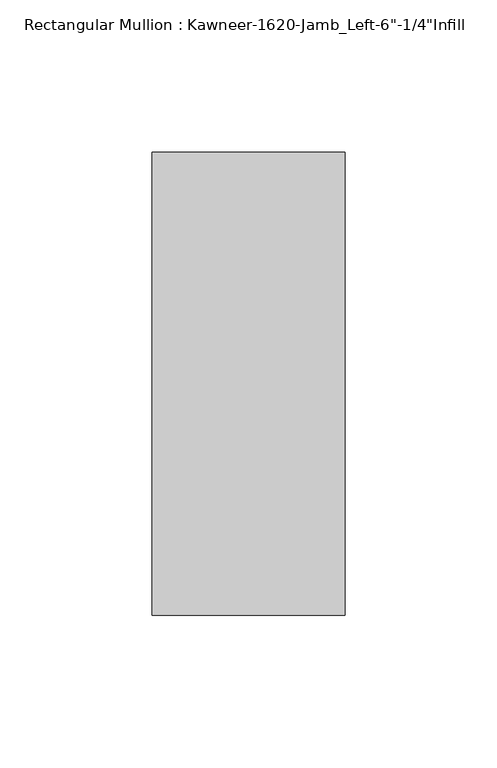
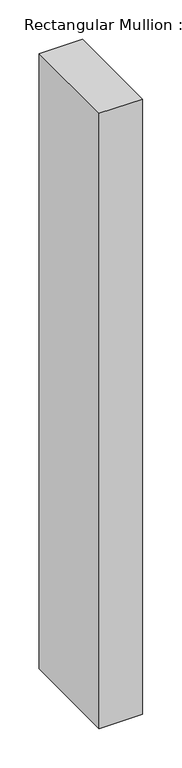
"""IFC4 building model written with IfcOpenShell, lengths in millimetres: member geometry."""

import ifcopenshell
import ifcopenshell.guid

model = None  # the IFC model being written
_history = None  # IfcOwnerHistory: only IFC2X3 demands one
_inside = {}  # id of a spatial element -> (the spatial element, [elements in it])
_under = {}  # id of a project, library or spatial element -> (it, [spatial elements below it])
_declared = {}  # id of a project -> (the project, [libraries it declares])
_typed = {}  # id of a type object -> (the type object, [elements of that type])
_made_of = {}  # id of a material, layer set ... -> (it, [elements and type objects made of it])


def new_model(schema):
    """Start an empty IFC model of exactly this schema.

    Asked for "IFC4X3", IfcOpenShell would pick the latest addendum, in which some entities
    have other attributes; the version numbers below select the first issue.
    IFC2X3 requires an IfcOwnerHistory on every rooted entity: one is made here for all.
    """
    global model, _history
    if schema == "IFC4X3":
        model = ifcopenshell.file(schema_version=(4, 3, 0, 0))
    else:
        model = ifcopenshell.file(schema=schema)
    _inside.clear()
    _under.clear()
    _declared.clear()
    _typed.clear()
    _made_of.clear()
    _history = None
    if model.schema == "IFC2X3":
        org = make("IfcOrganization", Name="unknown")
        user = make(
            "IfcPersonAndOrganization",
            ThePerson=make("IfcPerson", FamilyName="unknown"),
            TheOrganization=org,
        )
        app = make(
            "IfcApplication",
            ApplicationDeveloper=org,
            Version="unknown",
            ApplicationFullName="unknown",
            ApplicationIdentifier="unknown",
        )
        _history = make(
            "IfcOwnerHistory",
            OwningUser=user,
            OwningApplication=app,
            ChangeAction="ADDED",
            CreationDate=0,
        )
    return model


def make(cls, **values):
    """One entity of the class cls with the attributes given. An attribute that is None is left unset."""
    return model.create_entity(
        cls, **{name: value for name, value in values.items() if value is not None}
    )


def rooted(cls, **values):
    """An entity with a GlobalId (a new one), such as an element, a storey or a relation."""
    return make(cls, GlobalId=ifcopenshell.guid.new(), OwnerHistory=_history, **values)


def si_unit(unit_type, name, prefix=None):
    """IfcSIUnit, for example si_unit("LENGTHUNIT", "METRE", prefix="MILLI")."""
    return make("IfcSIUnit", UnitType=unit_type, Prefix=prefix, Name=name)


def assignment(units):
    """IfcUnitAssignment: the units of a project."""
    return None if units is None else make("IfcUnitAssignment", Units=units)


def point(xyz):
    """IfcCartesianPoint."""
    return None if xyz is None else make("IfcCartesianPoint", Coordinates=xyz)


def direction(xyz):
    """IfcDirection."""
    return None if xyz is None else make("IfcDirection", DirectionRatios=xyz)


def frame(location, z_axis=None, x_axis=None):
    """IfcAxis2Placement3D, a coordinate frame: its origin and axes. An axis left out is left unset."""
    return make(
        "IfcAxis2Placement3D",
        Location=point(location),
        Axis=direction(z_axis),
        RefDirection=direction(x_axis),
    )


def origin():
    """The frame at (0, 0, 0) with its axes left unset."""
    return frame((0.0, 0.0, 0.0))


def place(relative_to, where):
    """IfcLocalPlacement: puts the frame where relative to a parent placement (None: the world)."""
    return make(
        "IfcLocalPlacement", PlacementRelTo=relative_to, RelativePlacement=where
    )


def context(
    kind, dimensions, precision=None, world=None, true_north=None, identifier=None
):
    """IfcGeometricRepresentationContext, for example the 3D "Model" context."""
    return make(
        "IfcGeometricRepresentationContext",
        ContextIdentifier=identifier,
        ContextType=kind,
        CoordinateSpaceDimension=dimensions,
        Precision=precision,
        WorldCoordinateSystem=world,
        TrueNorth=true_north,
    )


def project(units=None, contexts=None):
    """IfcProject with its units and contexts."""
    return rooted(
        "IfcProject",
        Name="project",
        RepresentationContexts=contexts,
        UnitsInContext=assignment(units),
    )


def spatial(cls, under=None, at=None, **own):
    """A site, building, storey or space (cls), placed at a placement, below another one or the project."""
    s = rooted(cls, ObjectPlacement=at, **own)
    if under is not None:
        _under.setdefault(under.id(), (under, []))[1].append(s)
    return s


def polyline(points):
    """IfcPolyline through the points."""
    return make("IfcPolyline", Points=[point(p) for p in points])


def outline(outer, holes=None, kind="AREA"):
    """IfcArbitraryClosedProfileDef: a profile drawn as a closed curve; with holes, ...WithVoids."""
    if holes is None:
        return make("IfcArbitraryClosedProfileDef", ProfileType=kind, OuterCurve=outer)
    return make(
        "IfcArbitraryProfileDefWithVoids",
        ProfileType=kind,
        OuterCurve=outer,
        InnerCurves=holes,
    )


def extrude(swept, where, along, depth):
    """IfcExtrudedAreaSolid: the profile swept, set in the frame where, extruded along a direction by depth."""
    return make(
        "IfcExtrudedAreaSolid",
        SweptArea=swept,
        Position=where,
        ExtrudedDirection=direction(along),
        Depth=depth,
    )


def shape(context_of_items, identifier, shape_type, items):
    """IfcShapeRepresentation: the items that make up one representation, for example the "Body"."""
    return make(
        "IfcShapeRepresentation",
        ContextOfItems=context_of_items,
        RepresentationIdentifier=identifier,
        RepresentationType=shape_type,
        Items=items,
    )


def source(mapping_origin, context_of_items, identifier, shape_type, items):
    """IfcRepresentationMap: a shape defined once, which mapped items show again and again."""
    return make(
        "IfcRepresentationMap",
        MappingOrigin=mapping_origin,
        MappedRepresentation=shape(context_of_items, identifier, shape_type, items),
    )


def transform(
    local_origin,
    x_axis=None,
    y_axis=None,
    z_axis=None,
    scale=None,
    scale2=None,
    scale3=None,
    uniform=True,
):
    """IfcCartesianTransformationOperator3D, or its non-uniform kind. x_axis, y_axis, z_axis: its Axis1, 2, 3."""
    if uniform:
        return make(
            "IfcCartesianTransformationOperator3D",
            Axis1=direction(x_axis),
            Axis2=direction(y_axis),
            LocalOrigin=point(local_origin),
            Scale=scale,
            Axis3=direction(z_axis),
        )
    return make(
        "IfcCartesianTransformationOperator3DnonUniform",
        Axis1=direction(x_axis),
        Axis2=direction(y_axis),
        LocalOrigin=point(local_origin),
        Scale=scale,
        Axis3=direction(z_axis),
        Scale2=scale2,
        Scale3=scale3,
    )


def mapped(mapping_source, mapping_target):
    """IfcMappedItem: shows the shape of a source again, moved by a transform."""
    return make(
        "IfcMappedItem", MappingSource=mapping_source, MappingTarget=mapping_target
    )


def made_of(thing, what):
    """Note that an element or type object is made of a material, layer set ...; save() writes the relation."""
    if what is not None:
        _made_of.setdefault(what.id(), (what, []))[1].append(thing)
    return thing


def element(
    cls,
    number,
    at=None,
    inside=None,
    cuts=None,
    type_object=None,
    material=None,
    context=None,
    identifier="Body",
    shape_type=None,
    held_by="IfcProductDefinitionShape",
    body=None,
    shapes=None,
    **own,
):
    """One element of the class cls, such as IfcWall. Its Tag is "e" and its number.

    at: its placement. inside: the storey or other place that contains it. cuts: it is an
    opening in that element (IfcRelVoidsElement). A single representation is given by context,
    identifier, shape_type and body (its items); several are given by shapes. held_by: the class
    of the entity that holds the representations. save() writes the other relations.
    """
    e = rooted(cls, Tag="e%d" % number, ObjectPlacement=at, **own)
    if body is not None:
        shapes = [shape(context, identifier, shape_type, body)]
    if shapes is not None:
        e.Representation = make(held_by, Representations=shapes)
    if inside is not None:
        _inside.setdefault(inside.id(), (inside, []))[1].append(e)
    if cuts is not None:
        rooted(
            "IfcRelVoidsElement", RelatingBuildingElement=cuts, RelatedOpeningElement=e
        )
    if type_object is not None:
        _typed.setdefault(type_object.id(), (type_object, []))[1].append(e)
    return made_of(e, material)


def aggregate(whole, parts):
    """IfcRelAggregates: a whole, such as a stair, and the parts it consists of."""
    return rooted("IfcRelAggregates", RelatingObject=whole, RelatedObjects=parts)


def save(model, path):
    """Write the relations noted so far, then the file.

    IfcRelAggregates (storeys below a building ...), IfcRelContainedInSpatialStructure (elements
    in a storey), IfcRelDefinesByType, IfcRelAssociatesMaterial and IfcRelDeclares: one each for
    every whole, place, type object, material and project.
    """
    for whole, parts in _under.values():
        aggregate(whole, parts)
    for where, things in _inside.values():
        rooted(
            "IfcRelContainedInSpatialStructure",
            RelatedElements=things,
            RelatingStructure=where,
        )
    for kind, things in _typed.values():
        rooted("IfcRelDefinesByType", RelatedObjects=things, RelatingType=kind)
    for what, things in _made_of.values():
        rooted("IfcRelAssociatesMaterial", RelatedObjects=things, RelatingMaterial=what)
    for by, libraries in _declared.values():
        rooted("IfcRelDeclares", RelatingContext=by, RelatedDefinitions=libraries)
    model.write(path)


def member_8ca04017(model_context):
    return source(origin(), model_context, "Body", "SweptSolid", [
        extrude(outline(polyline([(-63.5, 28.575), (0.0, 28.575), (0.0, -123.825), (-63.5, -123.825), (-63.5, 28.575)])), frame((0.0, 0.0, -952.5), z_axis=(0.0, 0.0, 1.0), x_axis=(1.0, 0.0, 0.0)), (0.0, 0.0, 1.0), 952.5),
    ])


if __name__ == "__main__":
    model = new_model("IFC4")
    model_context = context("Model", 3, world=origin())
    ifc_project = project(units=[si_unit("LENGTHUNIT", "METRE", prefix="MILLI")], contexts=[model_context])
    site = spatial("IfcSite", under=ifc_project)
    building = spatial("IfcBuilding", under=site)
    placement = place(None, origin())
    member_shape = member_8ca04017(model_context)
    element("IfcMember", 1, ObjectType="Rectangular Mullion : Kawneer-1620-Jamb_Left-6\"-1/4\"Infill", at=placement, inside=building, context=model_context, shape_type="MappedRepresentation", body=[
        mapped(member_shape, transform((0.0, 0.0, 0.0), x_axis=(1.0, 0.0, 0.0), y_axis=(0.0, 1.0, 0.0), z_axis=(0.0, 0.0, 1.0))),
    ])
    save(model, "model.ifc")
